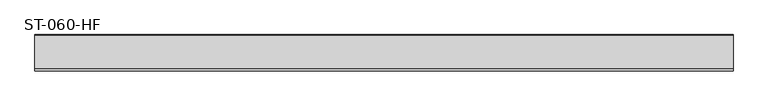
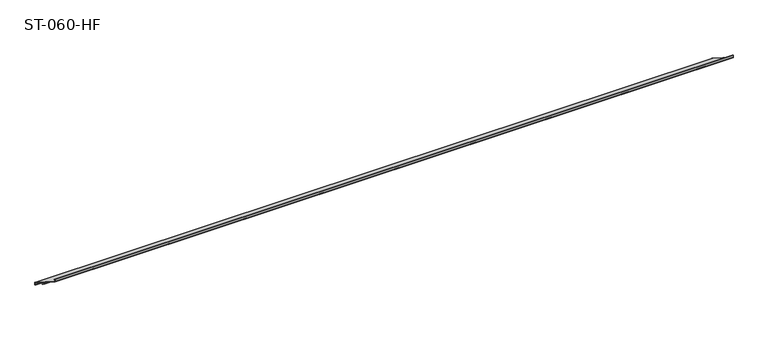
"""IFC4 building model written with IfcOpenShell, lengths in millimetres: plate geometry, ST-060-HF."""

from ifc_helpers import new_model, si_unit, point, frame, frame_2d, origin, place, context, project, spatial, polyline, circle_curve, trimmed, segment, composite_curve, outline, extrude, source, transform, mapped, element, save


def st_060_hf_498223fe(model_context):
    return source(origin(), model_context, "Body", "SweptSolid", [
        extrude(outline(composite_curve([segment(polyline([(78.0, -55.3016751), (78.0, -60.3291709), (73.6235125, -57.5405628), (74.2146142, -56.6128782), (76.6, -58.1327971), (76.6, -54.9725342), (48.7650157, -37.2366531), (49.8126156, -39.4832384), (49.4795924, -41.6741369), (48.6, -41.3289046), (48.6, -40.1954581), (47.548431, -37.9403612), (47.1309615, -36.3823437), (45.3824123, -37.1977055), (45.8973258, -39.1193887), (43.984821, -39.1193887), (43.984821, -35.9431113), (45.0551375, -34.8727949), (0.0, -6.1645854), (0.0, 0.0), (3.8597842, -2.4593753), (3.2686826, -3.38706), (1.4, -2.1963738), (1.4, -5.3965899), (77.0747303, -53.6149757)]), True, "CONTINUOUS"), segment(trimmed(circle_curve(frame_2d((76.0, -55.3016751)), 2.0), [point((77.0747303, -53.6149757))], [point((78.0, -55.3016751))], False, "CARTESIAN"), True, "CONTINUOUS")], self_intersect=False)), frame((-750.0, 0.0, 0.0), z_axis=(1.0, 0.0, 0.0), x_axis=(0.0, 1.0, 0.0)), (0.0, 0.0, 1.0), 1499.7321324),
    ])


if __name__ == "__main__":
    model = new_model("IFC4")
    model_context = context("Model", 3, world=origin())
    ifc_project = project(units=[si_unit("LENGTHUNIT", "METRE", prefix="MILLI")], contexts=[model_context])
    site = spatial("IfcSite", under=ifc_project)
    building = spatial("IfcBuilding", under=site)
    placement = place(None, origin())
    st_060_hf_shape = st_060_hf_498223fe(model_context)
    element("IfcPlate", 1, ObjectType="ST-060-HF", at=placement, inside=building, context=model_context, shape_type="MappedRepresentation", body=[
        mapped(st_060_hf_shape, transform((0.0, 0.0, 0.0), x_axis=(1.0, 0.0, 0.0), y_axis=(0.0, 1.0, 0.0), z_axis=(0.0, 0.0, 1.0))),
    ])
    save(model, "model.ifc")
